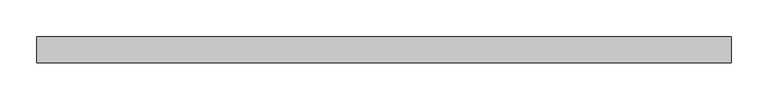
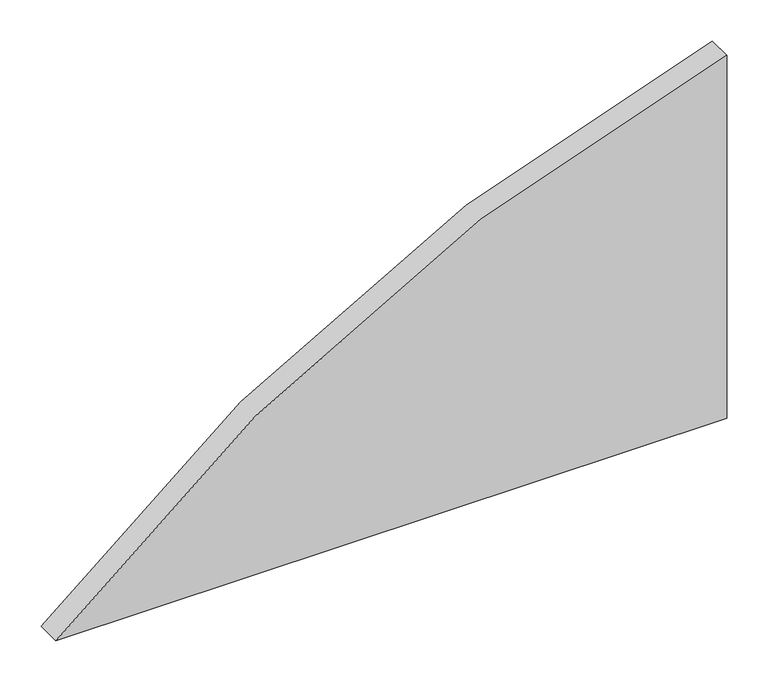
"""IFC4 building model written with IfcOpenShell, lengths in millimetres: plate geometry."""

import ifcopenshell
import ifcopenshell.guid

model = None  # the IFC model being written
_history = None  # IfcOwnerHistory: only IFC2X3 demands one
_inside = {}  # id of a spatial element -> (the spatial element, [elements in it])
_under = {}  # id of a project, library or spatial element -> (it, [spatial elements below it])
_declared = {}  # id of a project -> (the project, [libraries it declares])
_typed = {}  # id of a type object -> (the type object, [elements of that type])
_made_of = {}  # id of a material, layer set ... -> (it, [elements and type objects made of it])


def new_model(schema):
    """Start an empty IFC model of exactly this schema.

    Asked for "IFC4X3", IfcOpenShell would pick the latest addendum, in which some entities
    have other attributes; the version numbers below select the first issue.
    IFC2X3 requires an IfcOwnerHistory on every rooted entity: one is made here for all.
    """
    global model, _history
    if schema == "IFC4X3":
        model = ifcopenshell.file(schema_version=(4, 3, 0, 0))
    else:
        model = ifcopenshell.file(schema=schema)
    _inside.clear()
    _under.clear()
    _declared.clear()
    _typed.clear()
    _made_of.clear()
    _history = None
    if model.schema == "IFC2X3":
        org = make("IfcOrganization", Name="unknown")
        user = make(
            "IfcPersonAndOrganization",
            ThePerson=make("IfcPerson", FamilyName="unknown"),
            TheOrganization=org,
        )
        app = make(
            "IfcApplication",
            ApplicationDeveloper=org,
            Version="unknown",
            ApplicationFullName="unknown",
            ApplicationIdentifier="unknown",
        )
        _history = make(
            "IfcOwnerHistory",
            OwningUser=user,
            OwningApplication=app,
            ChangeAction="ADDED",
            CreationDate=0,
        )
    return model


def make(cls, **values):
    """One entity of the class cls with the attributes given. An attribute that is None is left unset."""
    return model.create_entity(
        cls, **{name: value for name, value in values.items() if value is not None}
    )


def rooted(cls, **values):
    """An entity with a GlobalId (a new one), such as an element, a storey or a relation."""
    return make(cls, GlobalId=ifcopenshell.guid.new(), OwnerHistory=_history, **values)


def si_unit(unit_type, name, prefix=None):
    """IfcSIUnit, for example si_unit("LENGTHUNIT", "METRE", prefix="MILLI")."""
    return make("IfcSIUnit", UnitType=unit_type, Prefix=prefix, Name=name)


def assignment(units):
    """IfcUnitAssignment: the units of a project."""
    return None if units is None else make("IfcUnitAssignment", Units=units)


def point(xyz):
    """IfcCartesianPoint."""
    return None if xyz is None else make("IfcCartesianPoint", Coordinates=xyz)


def direction(xyz):
    """IfcDirection."""
    return None if xyz is None else make("IfcDirection", DirectionRatios=xyz)


def frame(location, z_axis=None, x_axis=None):
    """IfcAxis2Placement3D, a coordinate frame: its origin and axes. An axis left out is left unset."""
    return make(
        "IfcAxis2Placement3D",
        Location=point(location),
        Axis=direction(z_axis),
        RefDirection=direction(x_axis),
    )


def frame_2d(location, x_axis=None):
    """IfcAxis2Placement2D, a coordinate frame in the plane: its origin and x axis."""
    return make(
        "IfcAxis2Placement2D", Location=point(location), RefDirection=direction(x_axis)
    )


def origin():
    """The frame at (0, 0, 0) with its axes left unset."""
    return frame((0.0, 0.0, 0.0))


def place(relative_to, where):
    """IfcLocalPlacement: puts the frame where relative to a parent placement (None: the world)."""
    return make(
        "IfcLocalPlacement", PlacementRelTo=relative_to, RelativePlacement=where
    )


def context(
    kind, dimensions, precision=None, world=None, true_north=None, identifier=None
):
    """IfcGeometricRepresentationContext, for example the 3D "Model" context."""
    return make(
        "IfcGeometricRepresentationContext",
        ContextIdentifier=identifier,
        ContextType=kind,
        CoordinateSpaceDimension=dimensions,
        Precision=precision,
        WorldCoordinateSystem=world,
        TrueNorth=true_north,
    )


def project(units=None, contexts=None):
    """IfcProject with its units and contexts."""
    return rooted(
        "IfcProject",
        Name="project",
        RepresentationContexts=contexts,
        UnitsInContext=assignment(units),
    )


def spatial(cls, under=None, at=None, **own):
    """A site, building, storey or space (cls), placed at a placement, below another one or the project."""
    s = rooted(cls, ObjectPlacement=at, **own)
    if under is not None:
        _under.setdefault(under.id(), (under, []))[1].append(s)
    return s


def polyline(points):
    """IfcPolyline through the points."""
    return make("IfcPolyline", Points=[point(p) for p in points])


def circle_curve(where, radius):
    """IfcCircle in the frame where."""
    return make("IfcCircle", Position=where, Radius=radius)


def trimmed(basis, trim1, trim2, sense, master):
    """IfcTrimmedCurve: the piece of a basis curve between two trims."""
    return make(
        "IfcTrimmedCurve",
        BasisCurve=basis,
        Trim1=trim1,
        Trim2=trim2,
        SenseAgreement=sense,
        MasterRepresentation=master,
    )


def segment(curve, same_sense, transition):
    """IfcCompositeCurveSegment."""
    return make(
        "IfcCompositeCurveSegment",
        Transition=transition,
        SameSense=same_sense,
        ParentCurve=curve,
    )


def composite_curve(segments, self_intersect=None):
    """IfcCompositeCurve: segments joined end to end."""
    return make("IfcCompositeCurve", Segments=segments, SelfIntersect=self_intersect)


def outline(outer, holes=None, kind="AREA"):
    """IfcArbitraryClosedProfileDef: a profile drawn as a closed curve; with holes, ...WithVoids."""
    if holes is None:
        return make("IfcArbitraryClosedProfileDef", ProfileType=kind, OuterCurve=outer)
    return make(
        "IfcArbitraryProfileDefWithVoids",
        ProfileType=kind,
        OuterCurve=outer,
        InnerCurves=holes,
    )


def extrude(swept, where, along, depth):
    """IfcExtrudedAreaSolid: the profile swept, set in the frame where, extruded along a direction by depth."""
    return make(
        "IfcExtrudedAreaSolid",
        SweptArea=swept,
        Position=where,
        ExtrudedDirection=direction(along),
        Depth=depth,
    )


def shape(context_of_items, identifier, shape_type, items):
    """IfcShapeRepresentation: the items that make up one representation, for example the "Body"."""
    return make(
        "IfcShapeRepresentation",
        ContextOfItems=context_of_items,
        RepresentationIdentifier=identifier,
        RepresentationType=shape_type,
        Items=items,
    )


def source(mapping_origin, context_of_items, identifier, shape_type, items):
    """IfcRepresentationMap: a shape defined once, which mapped items show again and again."""
    return make(
        "IfcRepresentationMap",
        MappingOrigin=mapping_origin,
        MappedRepresentation=shape(context_of_items, identifier, shape_type, items),
    )


def transform(
    local_origin,
    x_axis=None,
    y_axis=None,
    z_axis=None,
    scale=None,
    scale2=None,
    scale3=None,
    uniform=True,
):
    """IfcCartesianTransformationOperator3D, or its non-uniform kind. x_axis, y_axis, z_axis: its Axis1, 2, 3."""
    if uniform:
        return make(
            "IfcCartesianTransformationOperator3D",
            Axis1=direction(x_axis),
            Axis2=direction(y_axis),
            LocalOrigin=point(local_origin),
            Scale=scale,
            Axis3=direction(z_axis),
        )
    return make(
        "IfcCartesianTransformationOperator3DnonUniform",
        Axis1=direction(x_axis),
        Axis2=direction(y_axis),
        LocalOrigin=point(local_origin),
        Scale=scale,
        Axis3=direction(z_axis),
        Scale2=scale2,
        Scale3=scale3,
    )


def mapped(mapping_source, mapping_target):
    """IfcMappedItem: shows the shape of a source again, moved by a transform."""
    return make(
        "IfcMappedItem", MappingSource=mapping_source, MappingTarget=mapping_target
    )


def made_of(thing, what):
    """Note that an element or type object is made of a material, layer set ...; save() writes the relation."""
    if what is not None:
        _made_of.setdefault(what.id(), (what, []))[1].append(thing)
    return thing


def element(
    cls,
    number,
    at=None,
    inside=None,
    cuts=None,
    type_object=None,
    material=None,
    context=None,
    identifier="Body",
    shape_type=None,
    held_by="IfcProductDefinitionShape",
    body=None,
    shapes=None,
    **own,
):
    """One element of the class cls, such as IfcWall. Its Tag is "e" and its number.

    at: its placement. inside: the storey or other place that contains it. cuts: it is an
    opening in that element (IfcRelVoidsElement). A single representation is given by context,
    identifier, shape_type and body (its items); several are given by shapes. held_by: the class
    of the entity that holds the representations. save() writes the other relations.
    """
    e = rooted(cls, Tag="e%d" % number, ObjectPlacement=at, **own)
    if body is not None:
        shapes = [shape(context, identifier, shape_type, body)]
    if shapes is not None:
        e.Representation = make(held_by, Representations=shapes)
    if inside is not None:
        _inside.setdefault(inside.id(), (inside, []))[1].append(e)
    if cuts is not None:
        rooted(
            "IfcRelVoidsElement", RelatingBuildingElement=cuts, RelatedOpeningElement=e
        )
    if type_object is not None:
        _typed.setdefault(type_object.id(), (type_object, []))[1].append(e)
    return made_of(e, material)


def aggregate(whole, parts):
    """IfcRelAggregates: a whole, such as a stair, and the parts it consists of."""
    return rooted("IfcRelAggregates", RelatingObject=whole, RelatedObjects=parts)


def save(model, path):
    """Write the relations noted so far, then the file.

    IfcRelAggregates (storeys below a building ...), IfcRelContainedInSpatialStructure (elements
    in a storey), IfcRelDefinesByType, IfcRelAssociatesMaterial and IfcRelDeclares: one each for
    every whole, place, type object, material and project.
    """
    for whole, parts in _under.values():
        aggregate(whole, parts)
    for where, things in _inside.values():
        rooted(
            "IfcRelContainedInSpatialStructure",
            RelatedElements=things,
            RelatingStructure=where,
        )
    for kind, things in _typed.values():
        rooted("IfcRelDefinesByType", RelatedObjects=things, RelatingType=kind)
    for what, things in _made_of.values():
        rooted("IfcRelAssociatesMaterial", RelatedObjects=things, RelatingMaterial=what)
    for by, libraries in _declared.values():
        rooted("IfcRelDeclares", RelatingContext=by, RelatedDefinitions=libraries)
    model.write(path)


def plate_f156b5fe(model_context):
    return source(origin(), model_context, "Body", "SweptSolid", [
        extrude(outline(composite_curve([segment(polyline([(0.0, -471.1186411), (0.0, 471.1186411), (538.6631844, 471.1186411)]), True, "CONTINUOUS"), segment(trimmed(circle_curve(frame_2d((-1440.1861711, 977.3061411)), 2042.5647008), [point((538.6631844, 471.1186411))], [point((0.0, -471.1186411))], False, "CARTESIAN"), True, "CONTINUOUS")], self_intersect=False)), frame((0.0, -17.5, 0.0), z_axis=(0.0, 1.0, 0.0), x_axis=(0.0, 0.0, 1.0)), (0.0, 0.0, 1.0), 35.0),
    ])


if __name__ == "__main__":
    model = new_model("IFC4")
    model_context = context("Model", 3, world=origin())
    ifc_project = project(units=[si_unit("LENGTHUNIT", "METRE", prefix="MILLI")], contexts=[model_context])
    site = spatial("IfcSite", under=ifc_project)
    building = spatial("IfcBuilding", under=site)
    placement = place(None, origin())
    plate_shape = plate_f156b5fe(model_context)
    element("IfcPlate", 1, at=placement, inside=building, context=model_context, shape_type="MappedRepresentation", body=[
        mapped(plate_shape, transform((0.0, 0.0, 0.0), x_axis=(1.0, 0.0, 0.0), y_axis=(0.0, 1.0, 0.0), z_axis=(0.0, 0.0, 1.0))),
    ])
    save(model, "model.ifc")
